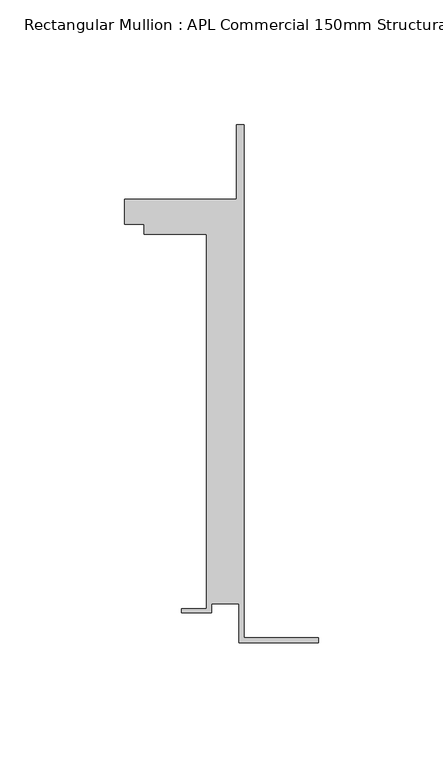
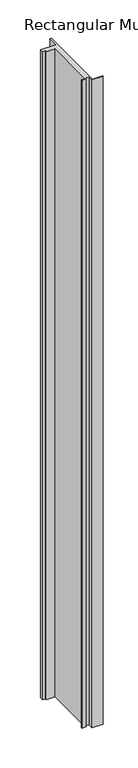
"""IFC4 building model written with IfcOpenShell, lengths in millimetres: member geometry, Rectangular Mullion : APL Commercial 150mm Structural Glaze SubSill."""

from ifc_helpers import new_model, si_unit, frame, origin, place, context, project, spatial, polyline, outline, extrude, source, transform, mapped, element, save


def rectangular_mullion_apl_commercial_150mm_structural_glaze_60aef489(model_context):
    return source(origin(), model_context, "Body", "SweptSolid", [
        extrude(outline(polyline([(-32.0, -41.25), (-32.0, -25.75), (-43.0, -25.75), (-43.0, -29.25), (-55.0, -29.25), (-55.0, -27.75), (-45.0, -27.75), (-45.0, 122.75), (-70.0000284, 122.75), (-70.0000284, 126.75), (-78.0000284, 126.75), (-78.0000284, 136.75), (-33.0000284, 136.75), (-33.0000284, 166.75), (-30.0, 166.75), (-30.0, -39.25), (0.0, -39.25), (0.0, -41.25), (-32.0, -41.25)])), frame((0.0, 0.0, -1978.4881781), z_axis=(0.0, 0.0, 1.0), x_axis=(1.0, 0.0, 0.0)), (0.0, 0.0, 1.0), 1978.4881781),
    ])


if __name__ == "__main__":
    model = new_model("IFC4")
    model_context = context("Model", 3, world=origin())
    ifc_project = project(units=[si_unit("LENGTHUNIT", "METRE", prefix="MILLI")], contexts=[model_context])
    site = spatial("IfcSite", under=ifc_project)
    building = spatial("IfcBuilding", under=site)
    placement = place(None, origin())
    rectangular_mullion_apl_commercial_150mm_structural_glaze_shape = rectangular_mullion_apl_commercial_150mm_structural_glaze_60aef489(model_context)
    element("IfcMember", 1, ObjectType="Rectangular Mullion : APL Commercial 150mm Structural Glaze SubSill", at=placement, inside=building, context=model_context, shape_type="MappedRepresentation", body=[
        mapped(rectangular_mullion_apl_commercial_150mm_structural_glaze_shape, transform((0.0, 0.0, 0.0), x_axis=(1.0, 0.0, 0.0), y_axis=(0.0, 1.0, 0.0), z_axis=(0.0, 0.0, 1.0))),
    ])
    save(model, "model.ifc")
